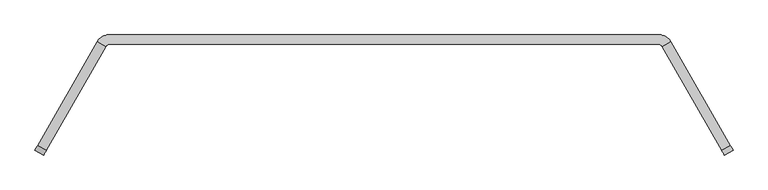
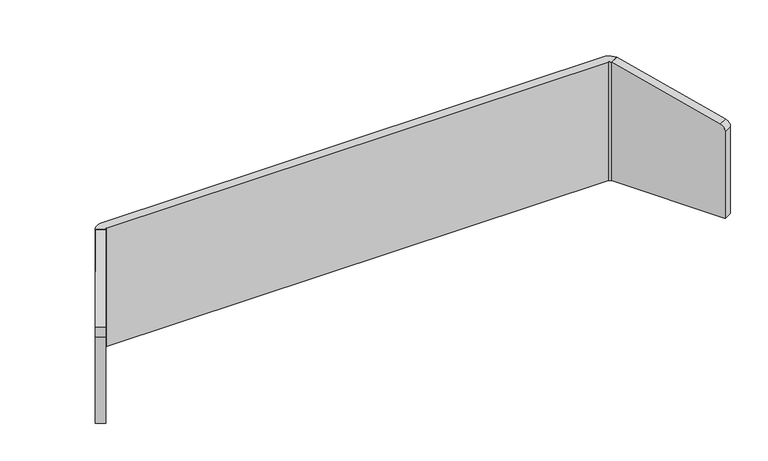
"""IFC4 building model written with IfcOpenShell, lengths in millimetres: furniture geometry."""

import ifcopenshell
import ifcopenshell.guid

model = None  # the IFC model being written
_history = None  # IfcOwnerHistory: only IFC2X3 demands one
_inside = {}  # id of a spatial element -> (the spatial element, [elements in it])
_under = {}  # id of a project, library or spatial element -> (it, [spatial elements below it])
_declared = {}  # id of a project -> (the project, [libraries it declares])
_typed = {}  # id of a type object -> (the type object, [elements of that type])
_made_of = {}  # id of a material, layer set ... -> (it, [elements and type objects made of it])


def new_model(schema):
    """Start an empty IFC model of exactly this schema.

    Asked for "IFC4X3", IfcOpenShell would pick the latest addendum, in which some entities
    have other attributes; the version numbers below select the first issue.
    IFC2X3 requires an IfcOwnerHistory on every rooted entity: one is made here for all.
    """
    global model, _history
    if schema == "IFC4X3":
        model = ifcopenshell.file(schema_version=(4, 3, 0, 0))
    else:
        model = ifcopenshell.file(schema=schema)
    _inside.clear()
    _under.clear()
    _declared.clear()
    _typed.clear()
    _made_of.clear()
    _history = None
    if model.schema == "IFC2X3":
        org = make("IfcOrganization", Name="unknown")
        user = make(
            "IfcPersonAndOrganization",
            ThePerson=make("IfcPerson", FamilyName="unknown"),
            TheOrganization=org,
        )
        app = make(
            "IfcApplication",
            ApplicationDeveloper=org,
            Version="unknown",
            ApplicationFullName="unknown",
            ApplicationIdentifier="unknown",
        )
        _history = make(
            "IfcOwnerHistory",
            OwningUser=user,
            OwningApplication=app,
            ChangeAction="ADDED",
            CreationDate=0,
        )
    return model


def make(cls, **values):
    """One entity of the class cls with the attributes given. An attribute that is None is left unset."""
    return model.create_entity(
        cls, **{name: value for name, value in values.items() if value is not None}
    )


def rooted(cls, **values):
    """An entity with a GlobalId (a new one), such as an element, a storey or a relation."""
    return make(cls, GlobalId=ifcopenshell.guid.new(), OwnerHistory=_history, **values)


def si_unit(unit_type, name, prefix=None):
    """IfcSIUnit, for example si_unit("LENGTHUNIT", "METRE", prefix="MILLI")."""
    return make("IfcSIUnit", UnitType=unit_type, Prefix=prefix, Name=name)


def assignment(units):
    """IfcUnitAssignment: the units of a project."""
    return None if units is None else make("IfcUnitAssignment", Units=units)


def point(xyz):
    """IfcCartesianPoint."""
    return None if xyz is None else make("IfcCartesianPoint", Coordinates=xyz)


def direction(xyz):
    """IfcDirection."""
    return None if xyz is None else make("IfcDirection", DirectionRatios=xyz)


def frame(location, z_axis=None, x_axis=None):
    """IfcAxis2Placement3D, a coordinate frame: its origin and axes. An axis left out is left unset."""
    return make(
        "IfcAxis2Placement3D",
        Location=point(location),
        Axis=direction(z_axis),
        RefDirection=direction(x_axis),
    )


def frame_2d(location, x_axis=None):
    """IfcAxis2Placement2D, a coordinate frame in the plane: its origin and x axis."""
    return make(
        "IfcAxis2Placement2D", Location=point(location), RefDirection=direction(x_axis)
    )


def origin():
    """The frame at (0, 0, 0) with its axes left unset."""
    return frame((0.0, 0.0, 0.0))


def place(relative_to, where):
    """IfcLocalPlacement: puts the frame where relative to a parent placement (None: the world)."""
    return make(
        "IfcLocalPlacement", PlacementRelTo=relative_to, RelativePlacement=where
    )


def context(
    kind, dimensions, precision=None, world=None, true_north=None, identifier=None
):
    """IfcGeometricRepresentationContext, for example the 3D "Model" context."""
    return make(
        "IfcGeometricRepresentationContext",
        ContextIdentifier=identifier,
        ContextType=kind,
        CoordinateSpaceDimension=dimensions,
        Precision=precision,
        WorldCoordinateSystem=world,
        TrueNorth=true_north,
    )


def project(units=None, contexts=None):
    """IfcProject with its units and contexts."""
    return rooted(
        "IfcProject",
        Name="project",
        RepresentationContexts=contexts,
        UnitsInContext=assignment(units),
    )


def spatial(cls, under=None, at=None, **own):
    """A site, building, storey or space (cls), placed at a placement, below another one or the project."""
    s = rooted(cls, ObjectPlacement=at, **own)
    if under is not None:
        _under.setdefault(under.id(), (under, []))[1].append(s)
    return s


def polyline(points):
    """IfcPolyline through the points."""
    return make("IfcPolyline", Points=[point(p) for p in points])


def circle_curve(where, radius):
    """IfcCircle in the frame where."""
    return make("IfcCircle", Position=where, Radius=radius)


def trimmed(basis, trim1, trim2, sense, master):
    """IfcTrimmedCurve: the piece of a basis curve between two trims."""
    return make(
        "IfcTrimmedCurve",
        BasisCurve=basis,
        Trim1=trim1,
        Trim2=trim2,
        SenseAgreement=sense,
        MasterRepresentation=master,
    )


def segment(curve, same_sense, transition):
    """IfcCompositeCurveSegment."""
    return make(
        "IfcCompositeCurveSegment",
        Transition=transition,
        SameSense=same_sense,
        ParentCurve=curve,
    )


def composite_curve(segments, self_intersect=None):
    """IfcCompositeCurve: segments joined end to end."""
    return make("IfcCompositeCurve", Segments=segments, SelfIntersect=self_intersect)


def outline(outer, holes=None, kind="AREA"):
    """IfcArbitraryClosedProfileDef: a profile drawn as a closed curve; with holes, ...WithVoids."""
    if holes is None:
        return make("IfcArbitraryClosedProfileDef", ProfileType=kind, OuterCurve=outer)
    return make(
        "IfcArbitraryProfileDefWithVoids",
        ProfileType=kind,
        OuterCurve=outer,
        InnerCurves=holes,
    )


def extrude(swept, where, along, depth):
    """IfcExtrudedAreaSolid: the profile swept, set in the frame where, extruded along a direction by depth."""
    return make(
        "IfcExtrudedAreaSolid",
        SweptArea=swept,
        Position=where,
        ExtrudedDirection=direction(along),
        Depth=depth,
    )


def shape(context_of_items, identifier, shape_type, items):
    """IfcShapeRepresentation: the items that make up one representation, for example the "Body"."""
    return make(
        "IfcShapeRepresentation",
        ContextOfItems=context_of_items,
        RepresentationIdentifier=identifier,
        RepresentationType=shape_type,
        Items=items,
    )


def source(mapping_origin, context_of_items, identifier, shape_type, items):
    """IfcRepresentationMap: a shape defined once, which mapped items show again and again."""
    return make(
        "IfcRepresentationMap",
        MappingOrigin=mapping_origin,
        MappedRepresentation=shape(context_of_items, identifier, shape_type, items),
    )


def transform(
    local_origin,
    x_axis=None,
    y_axis=None,
    z_axis=None,
    scale=None,
    scale2=None,
    scale3=None,
    uniform=True,
):
    """IfcCartesianTransformationOperator3D, or its non-uniform kind. x_axis, y_axis, z_axis: its Axis1, 2, 3."""
    if uniform:
        return make(
            "IfcCartesianTransformationOperator3D",
            Axis1=direction(x_axis),
            Axis2=direction(y_axis),
            LocalOrigin=point(local_origin),
            Scale=scale,
            Axis3=direction(z_axis),
        )
    return make(
        "IfcCartesianTransformationOperator3DnonUniform",
        Axis1=direction(x_axis),
        Axis2=direction(y_axis),
        LocalOrigin=point(local_origin),
        Scale=scale,
        Axis3=direction(z_axis),
        Scale2=scale2,
        Scale3=scale3,
    )


def mapped(mapping_source, mapping_target):
    """IfcMappedItem: shows the shape of a source again, moved by a transform."""
    return make(
        "IfcMappedItem", MappingSource=mapping_source, MappingTarget=mapping_target
    )


def made_of(thing, what):
    """Note that an element or type object is made of a material, layer set ...; save() writes the relation."""
    if what is not None:
        _made_of.setdefault(what.id(), (what, []))[1].append(thing)
    return thing


def element(
    cls,
    number,
    at=None,
    inside=None,
    cuts=None,
    type_object=None,
    material=None,
    context=None,
    identifier="Body",
    shape_type=None,
    held_by="IfcProductDefinitionShape",
    body=None,
    shapes=None,
    **own,
):
    """One element of the class cls, such as IfcWall. Its Tag is "e" and its number.

    at: its placement. inside: the storey or other place that contains it. cuts: it is an
    opening in that element (IfcRelVoidsElement). A single representation is given by context,
    identifier, shape_type and body (its items); several are given by shapes. held_by: the class
    of the entity that holds the representations. save() writes the other relations.
    """
    e = rooted(cls, Tag="e%d" % number, ObjectPlacement=at, **own)
    if body is not None:
        shapes = [shape(context, identifier, shape_type, body)]
    if shapes is not None:
        e.Representation = make(held_by, Representations=shapes)
    if inside is not None:
        _inside.setdefault(inside.id(), (inside, []))[1].append(e)
    if cuts is not None:
        rooted(
            "IfcRelVoidsElement", RelatingBuildingElement=cuts, RelatedOpeningElement=e
        )
    if type_object is not None:
        _typed.setdefault(type_object.id(), (type_object, []))[1].append(e)
    return made_of(e, material)


def aggregate(whole, parts):
    """IfcRelAggregates: a whole, such as a stair, and the parts it consists of."""
    return rooted("IfcRelAggregates", RelatingObject=whole, RelatedObjects=parts)


def save(model, path):
    """Write the relations noted so far, then the file.

    IfcRelAggregates (storeys below a building ...), IfcRelContainedInSpatialStructure (elements
    in a storey), IfcRelDefinesByType, IfcRelAssociatesMaterial and IfcRelDeclares: one each for
    every whole, place, type object, material and project.
    """
    for whole, parts in _under.values():
        aggregate(whole, parts)
    for where, things in _inside.values():
        rooted(
            "IfcRelContainedInSpatialStructure",
            RelatedElements=things,
            RelatingStructure=where,
        )
    for kind, things in _typed.values():
        rooted("IfcRelDefinesByType", RelatedObjects=things, RelatingType=kind)
    for what, things in _made_of.values():
        rooted("IfcRelAssociatesMaterial", RelatedObjects=things, RelatingMaterial=what)
    for by, libraries in _declared.values():
        rooted("IfcRelDeclares", RelatingContext=by, RelatedDefinitions=libraries)
    model.write(path)


def furniture_271bab4b(model_context):
    return source(origin(), model_context, "Body", "SweptSolid", [
        extrude(outline(composite_curve([segment(polyline([(-24.6357363, -31.5838899), (-133.6777992, 402.8241508), (366.4895932, 402.8241508), (366.4895932, -50.8), (0.0, -50.8)]), True, "CONTINUOUS"), segment(trimmed(circle_curve(frame_2d((0.0, -25.4)), 25.4), [point((0.0, -50.8))], [point((-24.6357363, -31.5838899))], False, "CARTESIAN"), True, "CONTINUOUS")], self_intersect=False)), frame((1780.495753, -329.8459345, 1118.9645932), z_axis=(0.8670407655731922, 0.4982372033823375, 0.0), x_axis=(0.0, 0.0, -1.0)), (0.0, 0.0, 1.0), 35.9627605),
        extrude(outline(composite_curve([segment(trimmed(circle_curve(frame_2d((0.0, 25.4)), 25.4), [point((-24.6357363, 31.5838899))], [point((0.0, 50.8))], False, "CARTESIAN"), True, "CONTINUOUS"), segment(polyline([(0.0, 50.8), (366.4895932, 50.8), (366.4895932, -402.8241508), (-133.6777992, -402.8241508), (-24.6357363, 31.5838899)]), True, "CONTINUOUS")], self_intersect=False)), frame((-639.5086452, -329.8459345, 1118.9645932), z_axis=(-0.8670407655731922, 0.4982372033823375, 0.0), x_axis=(0.0, 0.0, -1.0)), (0.0, 0.0, 1.0), 35.9627605),
        extrude(outline(composite_curve([segment(trimmed(circle_curve(frame_2d((1572.7630604, 36.5621094)), 25.4), [point((1572.7630604, 61.9621094))], [point((1578.2224902, 61.3684518))], False, "CARTESIAN"), True, "CONTINUOUS"), segment(trimmed(circle_curve(frame_2d((1567.4577624, 12.4561043)), 50.0829023), [point((1578.2224902, 61.3684518))], [point((1610.9359467, 37.3145956))], False, "CARTESIAN"), True, "CONTINUOUS"), segment(polyline([(1610.9359467, 37.3145956), (1579.7952673, 19.4198833)]), True, "CONTINUOUS"), segment(trimmed(circle_curve(frame_2d((1566.2326319, 12.9300975)), 15.0353716), [point((1579.7952673, 19.4198833))], [point((1570.4073623, 27.3742667))], True, "CARTESIAN"), True, "CONTINUOUS"), segment(polyline([(1570.4073623, 27.3742667), (-429.4202545, 27.3742667)]), True, "CONTINUOUS"), segment(trimmed(circle_curve(frame_2d((-425.2455241, 12.9300975)), 15.0353716), [point((-429.4202545, 27.3742667))], [point((-438.8081595, 19.4198833))], True, "CARTESIAN"), True, "CONTINUOUS"), segment(polyline([(-438.8081595, 19.4198833), (-469.948839, 37.3145956)]), True, "CONTINUOUS"), segment(trimmed(circle_curve(frame_2d((-426.4706546, 12.4561043)), 50.0829023), [point((-469.948839, 37.3145956))], [point((-437.2353824, 61.3684518))], False, "CARTESIAN"), True, "CONTINUOUS"), segment(trimmed(circle_curve(frame_2d((-431.7759527, 36.5621094)), 25.4), [point((-437.2353824, 61.3684518))], [point((-431.7759527, 61.9621094))], False, "CARTESIAN"), True, "CONTINUOUS"), segment(polyline([(-431.7759527, 61.9621094), (1572.7630604, 61.9621094)]), True, "CONTINUOUS")], self_intersect=False)), frame((0.0, 0.0, 752.475), z_axis=(0.0, 0.0, 1.0), x_axis=(1.0, 0.0, 0.0)), (0.0, 0.0, 1.0), 500.1617188),
    ])


if __name__ == "__main__":
    model = new_model("IFC4")
    model_context = context("Model", 3, world=origin())
    ifc_project = project(units=[si_unit("LENGTHUNIT", "METRE", prefix="MILLI")], contexts=[model_context])
    site = spatial("IfcSite", under=ifc_project)
    building = spatial("IfcBuilding", under=site)
    placement = place(None, origin())
    furniture_shape = furniture_271bab4b(model_context)
    element("IfcFurniture", 1, at=placement, inside=building, context=model_context, shape_type="MappedRepresentation", body=[
        mapped(furniture_shape, transform((0.0, 0.0, 0.0), x_axis=(1.0, 0.0, 0.0), y_axis=(0.0, 1.0, 0.0), z_axis=(0.0, 0.0, 1.0))),
    ])
    save(model, "model.ifc")
